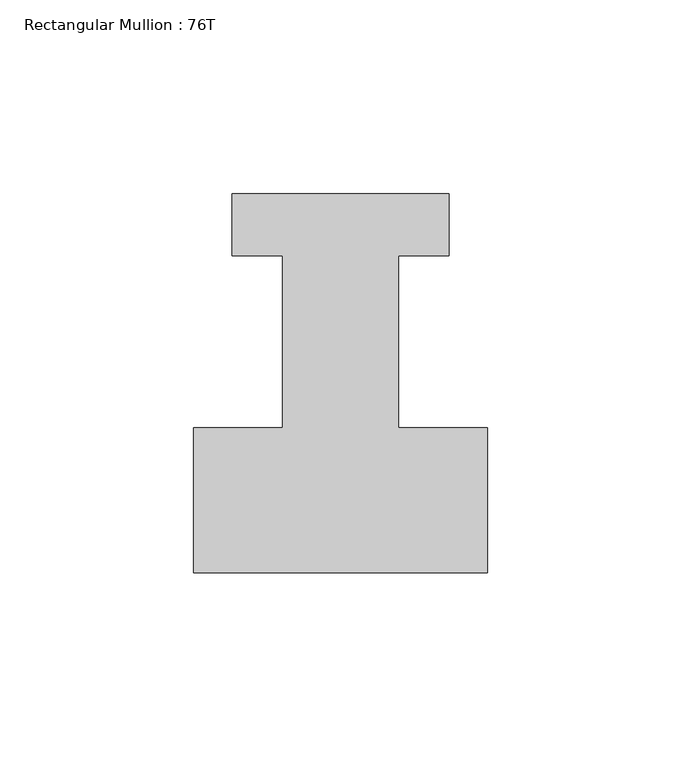
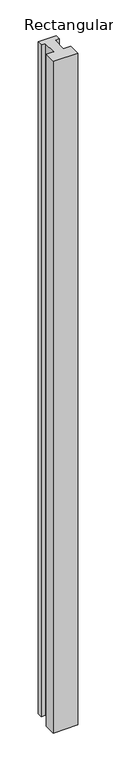
"""IFC4 building model written with IfcOpenShell, lengths in millimetres: member geometry, Rectangular Mullion : 76T."""

from ifc_helpers import new_model, si_unit, frame, origin, place, context, project, spatial, polyline, outline, extrude, source, transform, mapped, element, save


def rectangular_mullion_76t_61f6d6f3(model_context):
    return source(origin(), model_context, "Body", "SweptSolid", [
        extrude(outline(polyline([(38.0, -38.0), (-38.0, -38.0), (-38.0, -0.5), (-15.0, -0.5), (-15.0, 44.0), (-28.0, 44.0), (-28.0, 60.0), (28.0, 60.0), (28.0, 44.0), (15.0, 44.0), (15.0, -0.5), (38.0, -0.5), (38.0, -38.0)])), frame((0.0, 0.0, -2200.0), z_axis=(0.0, 0.0, 1.0), x_axis=(1.0, 0.0, 0.0)), (0.0, 0.0, 1.0), 2200.0),
    ])


if __name__ == "__main__":
    model = new_model("IFC4")
    model_context = context("Model", 3, world=origin())
    ifc_project = project(units=[si_unit("LENGTHUNIT", "METRE", prefix="MILLI")], contexts=[model_context])
    site = spatial("IfcSite", under=ifc_project)
    building = spatial("IfcBuilding", under=site)
    placement = place(None, origin())
    rectangular_mullion_76t_shape = rectangular_mullion_76t_61f6d6f3(model_context)
    element("IfcMember", 1, ObjectType="Rectangular Mullion : 76T", at=placement, inside=building, context=model_context, shape_type="MappedRepresentation", body=[
        mapped(rectangular_mullion_76t_shape, transform((0.0, 0.0, 0.0), x_axis=(1.0, 0.0, 0.0), y_axis=(0.0, 1.0, 0.0), z_axis=(0.0, 0.0, 1.0))),
    ])
    save(model, "model.ifc")
